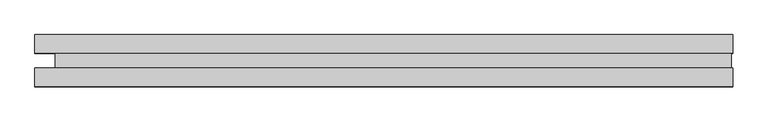
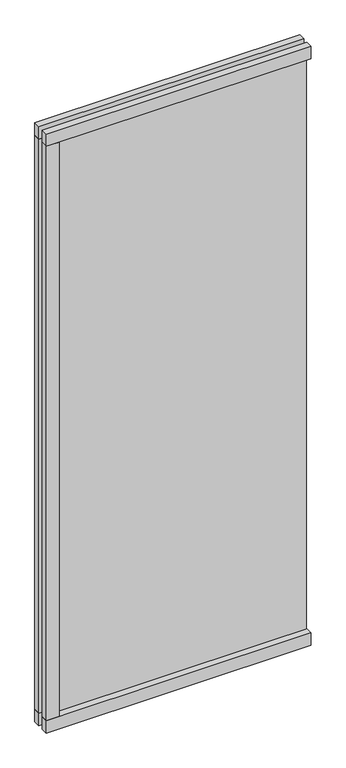
"""IFC4 building model written with IfcOpenShell, lengths in millimetres: plate geometry."""

import ifcopenshell
import ifcopenshell.guid

model = None  # the IFC model being written
_history = None  # IfcOwnerHistory: only IFC2X3 demands one
_inside = {}  # id of a spatial element -> (the spatial element, [elements in it])
_under = {}  # id of a project, library or spatial element -> (it, [spatial elements below it])
_declared = {}  # id of a project -> (the project, [libraries it declares])
_typed = {}  # id of a type object -> (the type object, [elements of that type])
_made_of = {}  # id of a material, layer set ... -> (it, [elements and type objects made of it])


def new_model(schema):
    """Start an empty IFC model of exactly this schema.

    Asked for "IFC4X3", IfcOpenShell would pick the latest addendum, in which some entities
    have other attributes; the version numbers below select the first issue.
    IFC2X3 requires an IfcOwnerHistory on every rooted entity: one is made here for all.
    """
    global model, _history
    if schema == "IFC4X3":
        model = ifcopenshell.file(schema_version=(4, 3, 0, 0))
    else:
        model = ifcopenshell.file(schema=schema)
    _inside.clear()
    _under.clear()
    _declared.clear()
    _typed.clear()
    _made_of.clear()
    _history = None
    if model.schema == "IFC2X3":
        org = make("IfcOrganization", Name="unknown")
        user = make(
            "IfcPersonAndOrganization",
            ThePerson=make("IfcPerson", FamilyName="unknown"),
            TheOrganization=org,
        )
        app = make(
            "IfcApplication",
            ApplicationDeveloper=org,
            Version="unknown",
            ApplicationFullName="unknown",
            ApplicationIdentifier="unknown",
        )
        _history = make(
            "IfcOwnerHistory",
            OwningUser=user,
            OwningApplication=app,
            ChangeAction="ADDED",
            CreationDate=0,
        )
    return model


def make(cls, **values):
    """One entity of the class cls with the attributes given. An attribute that is None is left unset."""
    return model.create_entity(
        cls, **{name: value for name, value in values.items() if value is not None}
    )


def rooted(cls, **values):
    """An entity with a GlobalId (a new one), such as an element, a storey or a relation."""
    return make(cls, GlobalId=ifcopenshell.guid.new(), OwnerHistory=_history, **values)


def si_unit(unit_type, name, prefix=None):
    """IfcSIUnit, for example si_unit("LENGTHUNIT", "METRE", prefix="MILLI")."""
    return make("IfcSIUnit", UnitType=unit_type, Prefix=prefix, Name=name)


def assignment(units):
    """IfcUnitAssignment: the units of a project."""
    return None if units is None else make("IfcUnitAssignment", Units=units)


def point(xyz):
    """IfcCartesianPoint."""
    return None if xyz is None else make("IfcCartesianPoint", Coordinates=xyz)


def direction(xyz):
    """IfcDirection."""
    return None if xyz is None else make("IfcDirection", DirectionRatios=xyz)


def frame(location, z_axis=None, x_axis=None):
    """IfcAxis2Placement3D, a coordinate frame: its origin and axes. An axis left out is left unset."""
    return make(
        "IfcAxis2Placement3D",
        Location=point(location),
        Axis=direction(z_axis),
        RefDirection=direction(x_axis),
    )


def origin():
    """The frame at (0, 0, 0) with its axes left unset."""
    return frame((0.0, 0.0, 0.0))


def origin_with_axes():
    """The frame at (0, 0, 0) with the z axis (0, 0, 1) and the x axis (1, 0, 0) written out."""
    return frame((0.0, 0.0, 0.0), z_axis=(0.0, 0.0, 1.0), x_axis=(1.0, 0.0, 0.0))


def place(relative_to, where):
    """IfcLocalPlacement: puts the frame where relative to a parent placement (None: the world)."""
    return make(
        "IfcLocalPlacement", PlacementRelTo=relative_to, RelativePlacement=where
    )


def context(
    kind, dimensions, precision=None, world=None, true_north=None, identifier=None
):
    """IfcGeometricRepresentationContext, for example the 3D "Model" context."""
    return make(
        "IfcGeometricRepresentationContext",
        ContextIdentifier=identifier,
        ContextType=kind,
        CoordinateSpaceDimension=dimensions,
        Precision=precision,
        WorldCoordinateSystem=world,
        TrueNorth=true_north,
    )


def project(units=None, contexts=None):
    """IfcProject with its units and contexts."""
    return rooted(
        "IfcProject",
        Name="project",
        RepresentationContexts=contexts,
        UnitsInContext=assignment(units),
    )


def spatial(cls, under=None, at=None, **own):
    """A site, building, storey or space (cls), placed at a placement, below another one or the project."""
    s = rooted(cls, ObjectPlacement=at, **own)
    if under is not None:
        _under.setdefault(under.id(), (under, []))[1].append(s)
    return s


def polyline(points):
    """IfcPolyline through the points."""
    return make("IfcPolyline", Points=[point(p) for p in points])


def outline(outer, holes=None, kind="AREA"):
    """IfcArbitraryClosedProfileDef: a profile drawn as a closed curve; with holes, ...WithVoids."""
    if holes is None:
        return make("IfcArbitraryClosedProfileDef", ProfileType=kind, OuterCurve=outer)
    return make(
        "IfcArbitraryProfileDefWithVoids",
        ProfileType=kind,
        OuterCurve=outer,
        InnerCurves=holes,
    )


def extrude(swept, where, along, depth):
    """IfcExtrudedAreaSolid: the profile swept, set in the frame where, extruded along a direction by depth."""
    return make(
        "IfcExtrudedAreaSolid",
        SweptArea=swept,
        Position=where,
        ExtrudedDirection=direction(along),
        Depth=depth,
    )


def shape(context_of_items, identifier, shape_type, items):
    """IfcShapeRepresentation: the items that make up one representation, for example the "Body"."""
    return make(
        "IfcShapeRepresentation",
        ContextOfItems=context_of_items,
        RepresentationIdentifier=identifier,
        RepresentationType=shape_type,
        Items=items,
    )


def source(mapping_origin, context_of_items, identifier, shape_type, items):
    """IfcRepresentationMap: a shape defined once, which mapped items show again and again."""
    return make(
        "IfcRepresentationMap",
        MappingOrigin=mapping_origin,
        MappedRepresentation=shape(context_of_items, identifier, shape_type, items),
    )


def transform(
    local_origin,
    x_axis=None,
    y_axis=None,
    z_axis=None,
    scale=None,
    scale2=None,
    scale3=None,
    uniform=True,
):
    """IfcCartesianTransformationOperator3D, or its non-uniform kind. x_axis, y_axis, z_axis: its Axis1, 2, 3."""
    if uniform:
        return make(
            "IfcCartesianTransformationOperator3D",
            Axis1=direction(x_axis),
            Axis2=direction(y_axis),
            LocalOrigin=point(local_origin),
            Scale=scale,
            Axis3=direction(z_axis),
        )
    return make(
        "IfcCartesianTransformationOperator3DnonUniform",
        Axis1=direction(x_axis),
        Axis2=direction(y_axis),
        LocalOrigin=point(local_origin),
        Scale=scale,
        Axis3=direction(z_axis),
        Scale2=scale2,
        Scale3=scale3,
    )


def mapped(mapping_source, mapping_target):
    """IfcMappedItem: shows the shape of a source again, moved by a transform."""
    return make(
        "IfcMappedItem", MappingSource=mapping_source, MappingTarget=mapping_target
    )


def made_of(thing, what):
    """Note that an element or type object is made of a material, layer set ...; save() writes the relation."""
    if what is not None:
        _made_of.setdefault(what.id(), (what, []))[1].append(thing)
    return thing


def element(
    cls,
    number,
    at=None,
    inside=None,
    cuts=None,
    type_object=None,
    material=None,
    context=None,
    identifier="Body",
    shape_type=None,
    held_by="IfcProductDefinitionShape",
    body=None,
    shapes=None,
    **own,
):
    """One element of the class cls, such as IfcWall. Its Tag is "e" and its number.

    at: its placement. inside: the storey or other place that contains it. cuts: it is an
    opening in that element (IfcRelVoidsElement). A single representation is given by context,
    identifier, shape_type and body (its items); several are given by shapes. held_by: the class
    of the entity that holds the representations. save() writes the other relations.
    """
    e = rooted(cls, Tag="e%d" % number, ObjectPlacement=at, **own)
    if body is not None:
        shapes = [shape(context, identifier, shape_type, body)]
    if shapes is not None:
        e.Representation = make(held_by, Representations=shapes)
    if inside is not None:
        _inside.setdefault(inside.id(), (inside, []))[1].append(e)
    if cuts is not None:
        rooted(
            "IfcRelVoidsElement", RelatingBuildingElement=cuts, RelatedOpeningElement=e
        )
    if type_object is not None:
        _typed.setdefault(type_object.id(), (type_object, []))[1].append(e)
    return made_of(e, material)


def aggregate(whole, parts):
    """IfcRelAggregates: a whole, such as a stair, and the parts it consists of."""
    return rooted("IfcRelAggregates", RelatingObject=whole, RelatedObjects=parts)


def save(model, path):
    """Write the relations noted so far, then the file.

    IfcRelAggregates (storeys below a building ...), IfcRelContainedInSpatialStructure (elements
    in a storey), IfcRelDefinesByType, IfcRelAssociatesMaterial and IfcRelDeclares: one each for
    every whole, place, type object, material and project.
    """
    for whole, parts in _under.values():
        aggregate(whole, parts)
    for where, things in _inside.values():
        rooted(
            "IfcRelContainedInSpatialStructure",
            RelatedElements=things,
            RelatingStructure=where,
        )
    for kind, things in _typed.values():
        rooted("IfcRelDefinesByType", RelatedObjects=things, RelatingType=kind)
    for what, things in _made_of.values():
        rooted("IfcRelAssociatesMaterial", RelatedObjects=things, RelatingMaterial=what)
    for by, libraries in _declared.values():
        rooted("IfcRelDeclares", RelatingContext=by, RelatedDefinitions=libraries)
    model.write(path)


def plate_cdaf8143(model_context):
    return source(origin(), model_context, "Body", "SweptSolid", [
        extrude(outline(polyline([(-602.6250001, 45.0), (-542.6250001, 45.0), (-542.6250001, 13.0), (-602.6250001, 13.0), (-602.6250001, 45.0)])), frame((0.0, 0.0, 60.0), z_axis=(0.0, 0.0, 1.0), x_axis=(1.0, 0.0, 0.0)), (0.0, 0.0, 1.0), 2765.0),
        extrude(outline(polyline([(-542.6250001, -13.0), (-542.6250001, -45.0), (-602.6250001, -45.0), (-602.6250001, -13.0), (-542.6250001, -13.0)])), frame((0.0, 0.0, 60.0), z_axis=(0.0, 0.0, 1.0), x_axis=(1.0, 0.0, 0.0)), (0.0, 0.0, 1.0), 2765.0),
        extrude(outline(polyline([(605.1250001, -13.0), (605.1250001, -45.0), (-602.6250001, -45.0), (-602.6250001, -13.0), (605.1250001, -13.0)])), origin_with_axes(), (0.0, 0.0, 1.0), 60.0),
        extrude(outline(polyline([(605.1250001, 45.0), (605.1250001, 13.0), (-602.6250001, 13.0), (-602.6250001, 45.0), (605.1250001, 45.0)])), origin_with_axes(), (0.0, 0.0, 1.0), 60.0),
        extrude(outline(polyline([(605.1250001, -13.0), (605.1250001, -45.0), (-602.6250001, -45.0), (-602.6250001, -13.0), (605.1250001, -13.0)])), frame((0.0, 0.0, 2825.0), z_axis=(0.0, 0.0, 1.0), x_axis=(1.0, 0.0, 0.0)), (0.0, 0.0, 1.0), 60.0),
        extrude(outline(polyline([(605.1250001, 45.0), (605.1250001, 13.0), (-602.6250001, 13.0), (-602.6250001, 45.0), (605.1250001, 45.0)])), frame((0.0, 0.0, 2825.0), z_axis=(0.0, 0.0, 1.0), x_axis=(1.0, 0.0, 0.0)), (0.0, 0.0, 1.0), 60.0),
        extrude(outline(polyline([(602.6250001, -13.0), (-567.1250001, -13.0), (-567.1250001, 13.0), (602.6250001, 13.0), (602.6250001, -13.0)])), frame((0.0, 0.0, 28.0), z_axis=(0.0, 0.0, 1.0), x_axis=(1.0, 0.0, 0.0)), (0.0, 0.0, 1.0), 2829.0),
    ])


if __name__ == "__main__":
    model = new_model("IFC4")
    model_context = context("Model", 3, world=origin())
    ifc_project = project(units=[si_unit("LENGTHUNIT", "METRE", prefix="MILLI")], contexts=[model_context])
    site = spatial("IfcSite", under=ifc_project)
    building = spatial("IfcBuilding", under=site)
    placement = place(None, origin())
    plate_shape = plate_cdaf8143(model_context)
    element("IfcPlate", 1, at=placement, inside=building, context=model_context, shape_type="MappedRepresentation", body=[
        mapped(plate_shape, transform((0.0, 0.0, 0.0), x_axis=(1.0, 0.0, 0.0), y_axis=(0.0, 1.0, 0.0), z_axis=(0.0, 0.0, 1.0))),
    ])
    save(model, "model.ifc")
